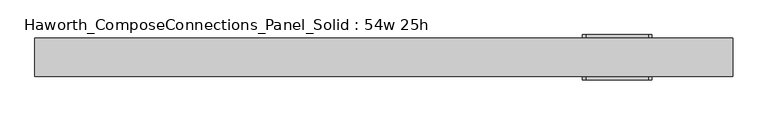
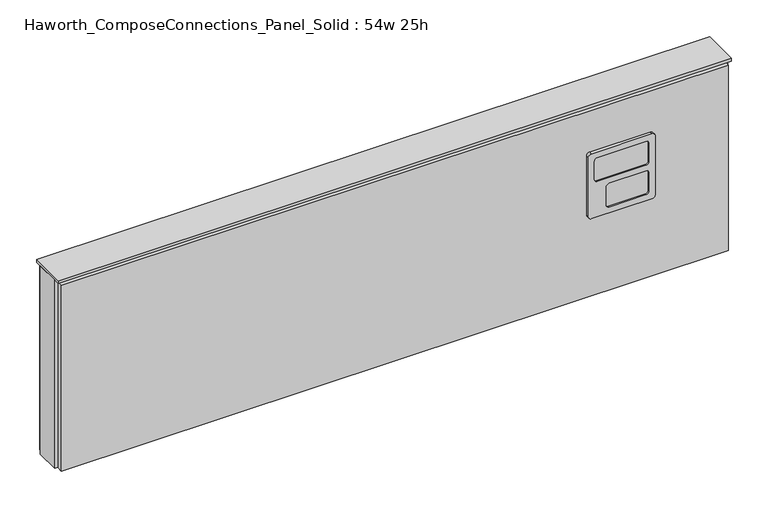
"""IFC4 building model written with IfcOpenShell, lengths in millimetres: furniture geometry, Haworth_ComposeConnections_Panel_Solid : 54w 25h."""

from ifc_helpers import new_model, si_unit, frame, origin, place, context, project, spatial, polyline, circle_curve, outline, extrude, source, transform, mapped, element, save
from ifc_brep_helpers import plane_surface, cylinder_surface, revolved_surface, advanced_brep


def haworth_composeconnections_panel_solid_54w_25h_f8390b98(model_context):
    return source(origin(), model_context, "Body", "SolidModel", [
        advanced_brep(
        [(399.3152902, 38.1, 546.1), (392.9652902, 38.1, 539.75), (392.9652902, 38.1, 412.75), (399.3152902, 38.1, 406.4), (523.1402902, 38.1, 406.4), (529.4902902, 38.1, 412.75), (529.4902902, 38.1, 539.75), (523.1402902, 38.1, 546.1), (399.3152902, 44.45, 546.1), (523.1402902, 44.45, 546.1), (529.4902902, 44.45, 539.75), (529.4902902, 44.45, 412.75), (523.1402902, 44.45, 406.4), (399.3152902, 44.45, 406.4), (392.9652902, 44.45, 412.75), (392.9652902, 44.45, 539.75), (412.0152902, 44.45, 533.4), (405.6652902, 44.45, 527.05), (405.6652902, 44.45, 488.95), (412.0152902, 44.45, 482.6), (510.4402902, 44.45, 482.6), (516.7902902, 44.45, 488.95), (516.7902902, 44.45, 527.05), (510.4402902, 44.45, 533.4), (412.0152902, 44.45, 469.9), (405.6652902, 44.45, 463.55), (405.6652902, 44.45, 425.45), (412.0152902, 44.45, 419.1), (486.6277902, 44.45, 419.1), (492.9777902, 44.45, 425.45), (492.9777902, 44.45, 463.55), (486.6277902, 44.45, 469.9), (412.0152902, 41.275, 533.4), (510.4402902, 41.275, 533.4), (516.7902902, 41.275, 527.05), (516.7902902, 41.275, 488.95), (510.4402902, 41.275, 482.6), (412.0152902, 41.275, 482.6), (405.6652902, 41.275, 488.95), (405.6652902, 41.275, 527.05), (412.0152902, 41.275, 469.9), (486.6277902, 41.275, 469.9), (492.9777902, 41.275, 463.55), (492.9777902, 41.275, 425.45), (486.6277902, 41.275, 419.1), (412.0152902, 41.275, 419.1), (405.6652902, 41.275, 425.45), (405.6652902, 41.275, 463.55)],
        [
            (0, 1, circle_curve(frame((399.3152902, 38.1, 539.75), z_axis=(0.0, -1.0, 0.0), x_axis=(1.0, 0.0, 0.0)), 6.35)),
            (1, 2),
            (2, 3, circle_curve(frame((399.3152902, 38.1, 412.75), z_axis=(0.0, -1.0, 0.0), x_axis=(1.0, 0.0, 0.0)), 6.35)),
            (3, 4),
            (4, 5, circle_curve(frame((523.1402902, 38.1, 412.75), z_axis=(0.0, -1.0, 0.0), x_axis=(1.0, 0.0, 0.0)), 6.35)),
            (5, 6),
            (6, 7, circle_curve(frame((523.1402902, 38.1, 539.75), z_axis=(0.0, -1.0, 0.0), x_axis=(1.0, 0.0, 0.0)), 6.35)),
            (7, 0),
            (8, 9),
            (9, 10, circle_curve(frame((523.1402902, 44.45, 539.75), z_axis=(0.0, 1.0, 0.0), x_axis=(1.0, 0.0, 0.0)), 6.35)),
            (10, 11),
            (11, 12, circle_curve(frame((523.1402902, 44.45, 412.75), z_axis=(0.0, 1.0, 0.0), x_axis=(1.0, 0.0, 0.0)), 6.35)),
            (12, 13),
            (13, 14, circle_curve(frame((399.3152902, 44.45, 412.75), z_axis=(0.0, 1.0, 0.0), x_axis=(1.0, 0.0, 0.0)), 6.35)),
            (14, 15),
            (15, 8, circle_curve(frame((399.3152902, 44.45, 539.75), z_axis=(0.0, 1.0, 0.0), x_axis=(1.0, 0.0, 0.0)), 6.35)),
            (16, 17, circle_curve(frame((412.0152902, 44.45, 527.05), z_axis=(0.0, -1.0, 0.0), x_axis=(1.0, 0.0, 0.0)), 6.35)),
            (17, 18),
            (18, 19, circle_curve(frame((412.0152902, 44.45, 488.95), z_axis=(0.0, -1.0, 0.0), x_axis=(1.0, 0.0, 0.0)), 6.35)),
            (19, 20),
            (20, 21, circle_curve(frame((510.4402902, 44.45, 488.95), z_axis=(0.0, -1.0, 0.0), x_axis=(1.0, 0.0, 0.0)), 6.35)),
            (21, 22),
            (22, 23, circle_curve(frame((510.4402902, 44.45, 527.05), z_axis=(0.0, -1.0, 0.0), x_axis=(1.0, 0.0, 0.0)), 6.35)),
            (23, 16),
            (24, 25, circle_curve(frame((412.0152902, 44.45, 463.55), z_axis=(0.0, -1.0, 0.0), x_axis=(1.0, 0.0, 0.0)), 6.35)),
            (25, 26),
            (26, 27, circle_curve(frame((412.0152902, 44.45, 425.45), z_axis=(0.0, -1.0, 0.0), x_axis=(1.0, 0.0, 0.0)), 6.35)),
            (27, 28),
            (28, 29, circle_curve(frame((486.6277902, 44.45, 425.45), z_axis=(0.0, -1.0, 0.0), x_axis=(1.0, 0.0, 0.0)), 6.35)),
            (29, 30),
            (30, 31, circle_curve(frame((486.6277902, 44.45, 463.55), z_axis=(0.0, -1.0, 0.0), x_axis=(1.0, 0.0, 0.0)), 6.35)),
            (31, 24),
            (0, 8),
            (15, 1),
            (14, 2),
            (13, 3),
            (12, 4),
            (11, 5),
            (10, 6),
            (9, 7),
            (32, 33),
            (33, 34, circle_curve(frame((510.4402902, 41.275, 527.05), z_axis=(0.0, 1.0, 0.0), x_axis=(1.0, 0.0, 0.0)), 6.35)),
            (34, 35),
            (35, 36, circle_curve(frame((510.4402902, 41.275, 488.95), z_axis=(0.0, 1.0, 0.0), x_axis=(1.0, 0.0, 0.0)), 6.35)),
            (36, 37),
            (37, 38, circle_curve(frame((412.0152902, 41.275, 488.95), z_axis=(0.0, 1.0, 0.0), x_axis=(1.0, 0.0, 0.0)), 6.35)),
            (38, 39),
            (39, 32, circle_curve(frame((412.0152902, 41.275, 527.05), z_axis=(0.0, 1.0, 0.0), x_axis=(1.0, 0.0, 0.0)), 6.35)),
            (40, 41),
            (41, 42, circle_curve(frame((486.6277902, 41.275, 463.55), z_axis=(0.0, 1.0, 0.0), x_axis=(1.0, 0.0, 0.0)), 6.35)),
            (42, 43),
            (43, 44, circle_curve(frame((486.6277902, 41.275, 425.45), z_axis=(0.0, 1.0, 0.0), x_axis=(1.0, 0.0, 0.0)), 6.35)),
            (44, 45),
            (45, 46, circle_curve(frame((412.0152902, 41.275, 425.45), z_axis=(0.0, 1.0, 0.0), x_axis=(1.0, 0.0, 0.0)), 6.35)),
            (46, 47),
            (47, 40, circle_curve(frame((412.0152902, 41.275, 463.55), z_axis=(0.0, 1.0, 0.0), x_axis=(1.0, 0.0, 0.0)), 6.35)),
            (39, 17),
            (16, 32),
            (38, 18),
            (37, 19),
            (36, 20),
            (35, 21),
            (34, 22),
            (33, 23),
            (47, 25),
            (24, 40),
            (46, 26),
            (45, 27),
            (44, 28),
            (43, 29),
            (42, 30),
            (41, 31),
        ],
        [
            plane_surface(frame((405.6652902, 38.1, 539.75), z_axis=(0.0, -1.0, 0.0), x_axis=(0.0, 0.0, 1.0))),
            plane_surface(frame((405.6652902, 44.45, 539.75), z_axis=(0.0, 1.0, 0.0), x_axis=(0.0, 0.0, -1.0))),
            cylinder_surface(frame((399.3152902, 44.45, 539.75), z_axis=(0.0, -1.0, 0.0), x_axis=(1.0, 0.0, 0.0)), 6.35),
            plane_surface(frame((392.9652902, 38.1, 539.75), z_axis=(-1.0, 0.0, 0.0), x_axis=(0.0, 1.0, 0.0))),
            cylinder_surface(frame((399.3152902, 44.45, 412.75), z_axis=(0.0, -1.0, 0.0), x_axis=(1.0, 0.0, 0.0)), 6.35),
            plane_surface(frame((399.3152902, 38.1, 406.4), z_axis=(0.0, 0.0, -1.0), x_axis=(0.0, 1.0, 0.0))),
            cylinder_surface(frame((523.1402902, 44.45, 412.75), z_axis=(0.0, -1.0, 0.0), x_axis=(1.0, 0.0, 0.0)), 6.35),
            plane_surface(frame((529.4902902, 38.1, 412.75), z_axis=(1.0, 0.0, 0.0), x_axis=(0.0, 1.0, 0.0))),
            cylinder_surface(frame((523.1402902, 44.45, 539.75), z_axis=(0.0, -1.0, 0.0), x_axis=(1.0, 0.0, 0.0)), 6.35),
            plane_surface(frame((523.1402902, 38.1, 546.1), z_axis=(0.0, 0.0, 1.0), x_axis=(0.0, 1.0, 0.0))),
            plane_surface(frame((418.3652902, 41.275, 527.05), z_axis=(0.0, 1.0, 0.0), x_axis=(0.0, 0.0, 1.0))),
            revolved_surface(polyline([(418.3652902, 41.275, 527.05), (418.3652902, 44.45, 527.05)]), (412.0152902, 44.45, 527.05), (0.0, -1.0, 0.0)),
            plane_surface(frame((405.6652902, 41.275, 527.05), z_axis=(1.0, 0.0, 0.0), x_axis=(0.0, 1.0, 0.0))),
            revolved_surface(polyline([(418.3652902, 41.275, 488.95), (418.3652902, 44.45, 488.95)]), (412.0152902, 44.45, 488.95), (0.0, -1.0, 0.0)),
            plane_surface(frame((412.0152902, 41.275, 482.6), z_axis=(0.0, 0.0, 1.0), x_axis=(0.0, 1.0, 0.0))),
            revolved_surface(polyline([(516.7902902, 41.275, 488.95), (516.7902902, 44.45, 488.95)]), (510.4402902, 44.45, 488.95), (0.0, -1.0, 0.0)),
            plane_surface(frame((516.7902902, 41.275, 488.95), z_axis=(-1.0, 0.0, 0.0), x_axis=(0.0, 1.0, 0.0))),
            revolved_surface(polyline([(516.7902902, 41.275, 527.05), (516.7902902, 44.45, 527.05)]), (510.4402902, 44.45, 527.05), (0.0, -1.0, 0.0)),
            plane_surface(frame((510.4402902, 41.275, 533.4), z_axis=(0.0, 0.0, -1.0), x_axis=(0.0, 1.0, 0.0))),
            revolved_surface(polyline([(418.3652902, 41.275, 463.55), (418.3652902, 44.45, 463.55)]), (412.0152902, 44.45, 463.55), (0.0, -1.0, 0.0)),
            plane_surface(frame((405.6652902, 41.275, 463.55), z_axis=(1.0, 0.0, 0.0), x_axis=(0.0, 1.0, 0.0))),
            revolved_surface(polyline([(418.3652902, 41.275, 425.45), (418.3652902, 44.45, 425.45)]), (412.0152902, 44.45, 425.45), (0.0, -1.0, 0.0)),
            plane_surface(frame((412.0152902, 41.275, 419.1), z_axis=(0.0, 0.0, 1.0), x_axis=(0.0, 1.0, 0.0))),
            revolved_surface(polyline([(492.9777902, 41.275, 425.45), (492.9777902, 44.45, 425.45)]), (486.6277902, 44.45, 425.45), (0.0, -1.0, 0.0)),
            plane_surface(frame((492.9777902, 41.275, 425.45), z_axis=(-1.0, 0.0, 0.0), x_axis=(0.0, 1.0, 0.0))),
            revolved_surface(polyline([(492.9777902, 41.275, 463.55), (492.9777902, 44.45, 463.55)]), (486.6277902, 44.45, 463.55), (0.0, -1.0, 0.0)),
            plane_surface(frame((486.6277902, 41.275, 469.9), z_axis=(0.0, 0.0, -1.0), x_axis=(0.0, 1.0, 0.0))),
        ],
        [
            (0, [[1, 2, 3, 4, 5, 6, 7, 8]]),
            (1, [[9, 10, 11, 12, 13, 14, 15, 16], [17, 18, 19, 20, 21, 22, 23, 24], [25, 26, 27, 28, 29, 30, 31, 32]]),
            (2, [[-1, 33, -16, 34]]),
            (3, [[-2, -34, -15, 35]]),
            (4, [[-3, -35, -14, 36]]),
            (5, [[-4, -36, -13, 37]]),
            (6, [[-5, -37, -12, 38]]),
            (7, [[-6, -38, -11, 39]]),
            (8, [[-7, -39, -10, 40]]),
            (9, [[-8, -40, -9, -33]]),
            (10, [[41, 42, 43, 44, 45, 46, 47, 48]]),
            (10, [[49, 50, 51, 52, 53, 54, 55, 56]]),
            (11, [[-48, 57, -17, 58]]),
            (12, [[-47, 59, -18, -57]]),
            (13, [[-46, 60, -19, -59]]),
            (14, [[-45, 61, -20, -60]]),
            (15, [[-44, 62, -21, -61]]),
            (16, [[-43, 63, -22, -62]]),
            (17, [[-42, 64, -23, -63]]),
            (18, [[-41, -58, -24, -64]]),
            (19, [[-56, 65, -25, 66]]),
            (20, [[-55, 67, -26, -65]]),
            (21, [[-54, 68, -27, -67]]),
            (22, [[-53, 69, -28, -68]]),
            (23, [[-52, 70, -29, -69]]),
            (24, [[-51, 71, -30, -70]]),
            (25, [[-50, 72, -31, -71]]),
            (26, [[-49, -66, -32, -72]]),
        ],
    ),
        advanced_brep(
        [(523.1402902, -38.1, 546.1), (529.4902902, -38.1, 539.75), (529.4902902, -38.1, 412.75), (523.1402902, -38.1, 406.4), (399.3152902, -38.1, 406.4), (392.9652902, -38.1, 412.75), (392.9652902, -38.1, 539.75), (399.3152902, -38.1, 546.1), (523.1402902, -44.45, 546.1), (399.3152902, -44.45, 546.1), (392.9652902, -44.45, 539.75), (392.9652902, -44.45, 412.75), (399.3152902, -44.45, 406.4), (523.1402902, -44.45, 406.4), (529.4902902, -44.45, 412.75), (529.4902902, -44.45, 539.75), (510.4402902, -44.45, 533.4), (516.7902902, -44.45, 527.05), (516.7902902, -44.45, 488.95), (510.4402902, -44.45, 482.6), (412.0152902, -44.45, 482.6), (405.6652902, -44.45, 488.95), (405.6652902, -44.45, 527.05), (412.0152902, -44.45, 533.4), (510.4402902, -44.45, 469.9), (516.7902902, -44.45, 463.55), (516.7902902, -44.45, 425.45), (510.4402902, -44.45, 419.1), (435.8277902, -44.45, 419.1), (429.4777902, -44.45, 425.45), (429.4777902, -44.45, 463.55), (435.8277902, -44.45, 469.9), (510.4402902, -41.275, 533.4), (412.0152902, -41.275, 533.4), (405.6652902, -41.275, 527.05), (405.6652902, -41.275, 488.95), (412.0152902, -41.275, 482.6), (510.4402902, -41.275, 482.6), (516.7902902, -41.275, 488.95), (516.7902902, -41.275, 527.05), (510.4402902, -41.275, 469.9), (435.8277902, -41.275, 469.9), (429.4777902, -41.275, 463.55), (429.4777902, -41.275, 425.45), (435.8277902, -41.275, 419.1), (510.4402902, -41.275, 419.1), (516.7902902, -41.275, 425.45), (516.7902902, -41.275, 463.55)],
        [
            (0, 1, circle_curve(frame((523.1402902, -38.1, 539.75), z_axis=(0.0, 1.0, 0.0), x_axis=(-1.0, 0.0, 0.0)), 6.35)),
            (1, 2),
            (2, 3, circle_curve(frame((523.1402902, -38.1, 412.75), z_axis=(0.0, 1.0, 0.0), x_axis=(-1.0, 0.0, 0.0)), 6.35)),
            (3, 4),
            (4, 5, circle_curve(frame((399.3152902, -38.1, 412.75), z_axis=(0.0, 1.0, 0.0), x_axis=(-1.0, 0.0, 0.0)), 6.35)),
            (5, 6),
            (6, 7, circle_curve(frame((399.3152902, -38.1, 539.75), z_axis=(0.0, 1.0, 0.0), x_axis=(-1.0, 0.0, 0.0)), 6.35)),
            (7, 0),
            (8, 9),
            (9, 10, circle_curve(frame((399.3152902, -44.45, 539.75), z_axis=(0.0, -1.0, 0.0), x_axis=(-1.0, 0.0, 0.0)), 6.35)),
            (10, 11),
            (11, 12, circle_curve(frame((399.3152902, -44.45, 412.75), z_axis=(0.0, -1.0, 0.0), x_axis=(-1.0, 0.0, 0.0)), 6.35)),
            (12, 13),
            (13, 14, circle_curve(frame((523.1402902, -44.45, 412.75), z_axis=(0.0, -1.0, 0.0), x_axis=(-1.0, 0.0, 0.0)), 6.35)),
            (14, 15),
            (15, 8, circle_curve(frame((523.1402902, -44.45, 539.75), z_axis=(0.0, -1.0, 0.0), x_axis=(-1.0, 0.0, 0.0)), 6.35)),
            (16, 17, circle_curve(frame((510.4402902, -44.45, 527.05), z_axis=(0.0, 1.0, 0.0), x_axis=(-1.0, 0.0, 0.0)), 6.35)),
            (17, 18),
            (18, 19, circle_curve(frame((510.4402902, -44.45, 488.95), z_axis=(0.0, 1.0, 0.0), x_axis=(-1.0, 0.0, 0.0)), 6.35)),
            (19, 20),
            (20, 21, circle_curve(frame((412.0152902, -44.45, 488.95), z_axis=(0.0, 1.0, 0.0), x_axis=(-1.0, 0.0, 0.0)), 6.35)),
            (21, 22),
            (22, 23, circle_curve(frame((412.0152902, -44.45, 527.05), z_axis=(0.0, 1.0, 0.0), x_axis=(-1.0, 0.0, 0.0)), 6.35)),
            (23, 16),
            (24, 25, circle_curve(frame((510.4402902, -44.45, 463.55), z_axis=(0.0, 1.0, 0.0), x_axis=(-1.0, 0.0, 0.0)), 6.35)),
            (25, 26),
            (26, 27, circle_curve(frame((510.4402902, -44.45, 425.45), z_axis=(0.0, 1.0, 0.0), x_axis=(-1.0, 0.0, 0.0)), 6.35)),
            (27, 28),
            (28, 29, circle_curve(frame((435.8277902, -44.45, 425.45), z_axis=(0.0, 1.0, 0.0), x_axis=(-1.0, 0.0, 0.0)), 6.35)),
            (29, 30),
            (30, 31, circle_curve(frame((435.8277902, -44.45, 463.55), z_axis=(0.0, 1.0, 0.0), x_axis=(-1.0, 0.0, 0.0)), 6.35)),
            (31, 24),
            (0, 8),
            (15, 1),
            (14, 2),
            (13, 3),
            (12, 4),
            (11, 5),
            (10, 6),
            (9, 7),
            (32, 33),
            (33, 34, circle_curve(frame((412.0152902, -41.275, 527.05), z_axis=(0.0, -1.0, 0.0), x_axis=(-1.0, 0.0, 0.0)), 6.35)),
            (34, 35),
            (35, 36, circle_curve(frame((412.0152902, -41.275, 488.95), z_axis=(0.0, -1.0, 0.0), x_axis=(-1.0, 0.0, 0.0)), 6.35)),
            (36, 37),
            (37, 38, circle_curve(frame((510.4402902, -41.275, 488.95), z_axis=(0.0, -1.0, 0.0), x_axis=(-1.0, 0.0, 0.0)), 6.35)),
            (38, 39),
            (39, 32, circle_curve(frame((510.4402902, -41.275, 527.05), z_axis=(0.0, -1.0, 0.0), x_axis=(-1.0, 0.0, 0.0)), 6.35)),
            (40, 41),
            (41, 42, circle_curve(frame((435.8277902, -41.275, 463.55), z_axis=(0.0, -1.0, 0.0), x_axis=(-1.0, 0.0, 0.0)), 6.35)),
            (42, 43),
            (43, 44, circle_curve(frame((435.8277902, -41.275, 425.45), z_axis=(0.0, -1.0, 0.0), x_axis=(-1.0, 0.0, 0.0)), 6.35)),
            (44, 45),
            (45, 46, circle_curve(frame((510.4402902, -41.275, 425.45), z_axis=(0.0, -1.0, 0.0), x_axis=(-1.0, 0.0, 0.0)), 6.35)),
            (46, 47),
            (47, 40, circle_curve(frame((510.4402902, -41.275, 463.55), z_axis=(0.0, -1.0, 0.0), x_axis=(-1.0, 0.0, 0.0)), 6.35)),
            (39, 17),
            (16, 32),
            (38, 18),
            (37, 19),
            (36, 20),
            (35, 21),
            (34, 22),
            (33, 23),
            (47, 25),
            (24, 40),
            (46, 26),
            (45, 27),
            (44, 28),
            (43, 29),
            (42, 30),
            (41, 31),
        ],
        [
            plane_surface(frame((516.7902902, -38.1, 539.75), z_axis=(0.0, 1.0, 0.0), x_axis=(0.0, 0.0, 1.0))),
            plane_surface(frame((516.7902902, -44.45, 539.75), z_axis=(0.0, -1.0, 0.0), x_axis=(0.0, 0.0, -1.0))),
            cylinder_surface(frame((523.1402902, -44.45, 539.75), z_axis=(0.0, 1.0, 0.0), x_axis=(-1.0, 0.0, 0.0)), 6.35),
            plane_surface(frame((529.4902902, -38.1, 539.75), z_axis=(1.0, 0.0, 0.0), x_axis=(0.0, -1.0, 0.0))),
            cylinder_surface(frame((523.1402902, -44.45, 412.75), z_axis=(0.0, 1.0, 0.0), x_axis=(-1.0, 0.0, 0.0)), 6.35),
            plane_surface(frame((523.1402902, -38.1, 406.4), z_axis=(0.0, 0.0, -1.0), x_axis=(0.0, -1.0, 0.0))),
            cylinder_surface(frame((399.3152902, -44.45, 412.75), z_axis=(0.0, 1.0, 0.0), x_axis=(-1.0, 0.0, 0.0)), 6.35),
            plane_surface(frame((392.9652902, -38.1, 412.75), z_axis=(-1.0, 0.0, 0.0), x_axis=(0.0, -1.0, 0.0))),
            cylinder_surface(frame((399.3152902, -44.45, 539.75), z_axis=(0.0, 1.0, 0.0), x_axis=(-1.0, 0.0, 0.0)), 6.35),
            plane_surface(frame((399.3152902, -38.1, 546.1), z_axis=(0.0, 0.0, 1.0), x_axis=(0.0, -1.0, 0.0))),
            plane_surface(frame((504.0902902, -41.275, 527.05), z_axis=(0.0, -1.0, 0.0), x_axis=(0.0, 0.0, 1.0))),
            revolved_surface(polyline([(504.09029019999997, -41.275, 527.05), (504.09029019999997, -44.45, 527.05)]), (510.4402902, -44.45, 527.05), (0.0, 1.0, 0.0)),
            plane_surface(frame((516.7902902, -41.275, 527.05), z_axis=(-1.0, 0.0, 0.0), x_axis=(0.0, -1.0, 0.0))),
            revolved_surface(polyline([(504.09029019999997, -41.275, 488.95), (504.09029019999997, -44.45, 488.95)]), (510.4402902, -44.45, 488.95), (0.0, 1.0, 0.0)),
            plane_surface(frame((510.4402902, -41.275, 482.6), z_axis=(0.0, 0.0, 1.0), x_axis=(0.0, -1.0, 0.0))),
            revolved_surface(polyline([(405.66529019999996, -41.275, 488.95), (405.66529019999996, -44.45, 488.95)]), (412.0152902, -44.45, 488.95), (0.0, 1.0, 0.0)),
            plane_surface(frame((405.6652902, -41.275, 488.95), z_axis=(1.0, 0.0, 0.0), x_axis=(0.0, -1.0, 0.0))),
            revolved_surface(polyline([(405.66529019999996, -41.275, 527.05), (405.66529019999996, -44.45, 527.05)]), (412.0152902, -44.45, 527.05), (0.0, 1.0, 0.0)),
            plane_surface(frame((412.0152902, -41.275, 533.4), z_axis=(0.0, 0.0, -1.0), x_axis=(0.0, -1.0, 0.0))),
            revolved_surface(polyline([(504.09029019999997, -41.275, 463.55), (504.09029019999997, -44.45, 463.55)]), (510.4402902, -44.45, 463.55), (0.0, 1.0, 0.0)),
            plane_surface(frame((516.7902902, -41.275, 463.55), z_axis=(-1.0, 0.0, 0.0), x_axis=(0.0, -1.0, 0.0))),
            revolved_surface(polyline([(504.09029019999997, -41.275, 425.45), (504.09029019999997, -44.45, 425.45)]), (510.4402902, -44.45, 425.45), (0.0, 1.0, 0.0)),
            plane_surface(frame((510.4402902, -41.275, 419.1), z_axis=(0.0, 0.0, 1.0), x_axis=(0.0, -1.0, 0.0))),
            revolved_surface(polyline([(429.47779019999996, -41.275, 425.45), (429.47779019999996, -44.45, 425.45)]), (435.8277902, -44.45, 425.45), (0.0, 1.0, 0.0)),
            plane_surface(frame((429.4777902, -41.275, 425.45), z_axis=(1.0, 0.0, 0.0), x_axis=(0.0, -1.0, 0.0))),
            revolved_surface(polyline([(429.47779019999996, -41.275, 463.55), (429.47779019999996, -44.45, 463.55)]), (435.8277902, -44.45, 463.55), (0.0, 1.0, 0.0)),
            plane_surface(frame((435.8277902, -41.275, 469.9), z_axis=(0.0, 0.0, -1.0), x_axis=(0.0, -1.0, 0.0))),
        ],
        [
            (0, [[1, 2, 3, 4, 5, 6, 7, 8]]),
            (1, [[9, 10, 11, 12, 13, 14, 15, 16], [17, 18, 19, 20, 21, 22, 23, 24], [25, 26, 27, 28, 29, 30, 31, 32]]),
            (2, [[-1, 33, -16, 34]]),
            (3, [[-2, -34, -15, 35]]),
            (4, [[-3, -35, -14, 36]]),
            (5, [[-4, -36, -13, 37]]),
            (6, [[-5, -37, -12, 38]]),
            (7, [[-6, -38, -11, 39]]),
            (8, [[-7, -39, -10, 40]]),
            (9, [[-8, -40, -9, -33]]),
            (10, [[41, 42, 43, 44, 45, 46, 47, 48]]),
            (10, [[49, 50, 51, 52, 53, 54, 55, 56]]),
            (11, [[-48, 57, -17, 58]]),
            (12, [[-47, 59, -18, -57]]),
            (13, [[-46, 60, -19, -59]]),
            (14, [[-45, 61, -20, -60]]),
            (15, [[-44, 62, -21, -61]]),
            (16, [[-43, 63, -22, -62]]),
            (17, [[-42, 64, -23, -63]]),
            (18, [[-41, -58, -24, -64]]),
            (19, [[-56, 65, -25, 66]]),
            (20, [[-55, 67, -26, -65]]),
            (21, [[-54, 68, -27, -67]]),
            (22, [[-53, 69, -28, -68]]),
            (23, [[-52, 70, -29, -69]]),
            (24, [[-51, 71, -30, -70]]),
            (25, [[-50, 72, -31, -71]]),
            (26, [[-49, -66, -32, -72]]),
        ],
    ),
        extrude(outline(polyline([(688.2402902, -25.4), (-683.3597098, -25.4), (-683.3597098, 25.4), (688.2402902, 25.4), (688.2402902, -25.4)])), frame((0.0, 0.0, 234.95), z_axis=(0.0, 0.0, 1.0), x_axis=(1.0, 0.0, 0.0)), (0.0, 0.0, 1.0), 406.4),
        extrude(outline(polyline([(-677.0097098, -25.4), (681.8902902, -25.4), (681.8902902, -38.1), (-677.0097098, -38.1), (-677.0097098, -25.4)])), frame((0.0, 0.0, 234.95), z_axis=(0.0, 0.0, 1.0), x_axis=(1.0, 0.0, 0.0)), (0.0, 0.0, 1.0), 400.05),
        extrude(outline(polyline([(-677.0097098, 38.1), (681.8902902, 38.1), (681.8902902, 25.4), (-677.0097098, 25.4), (-677.0097098, 38.1)])), frame((0.0, 0.0, 234.95), z_axis=(0.0, 0.0, 1.0), x_axis=(1.0, 0.0, 0.0)), (0.0, 0.0, 1.0), 400.05),
        extrude(outline(polyline([(-683.3597098, -38.1), (-683.3597098, 38.1), (688.2402902, 38.1), (688.2402902, -38.1), (-683.3597098, -38.1)])), frame((0.0, 0.0, 641.35), z_axis=(0.0, 0.0, 1.0), x_axis=(1.0, 0.0, 0.0)), (0.0, 0.0, 1.0), 6.35),
    ])


if __name__ == "__main__":
    model = new_model("IFC4")
    model_context = context("Model", 3, world=origin())
    ifc_project = project(units=[si_unit("LENGTHUNIT", "METRE", prefix="MILLI")], contexts=[model_context])
    site = spatial("IfcSite", under=ifc_project)
    building = spatial("IfcBuilding", under=site)
    placement = place(None, origin())
    haworth_composeconnections_panel_solid_54w_25h_shape = haworth_composeconnections_panel_solid_54w_25h_f8390b98(model_context)
    element("IfcFurniture", 1, ObjectType="Haworth_ComposeConnections_Panel_Solid : 54w 25h", at=placement, inside=building, context=model_context, shape_type="MappedRepresentation", body=[
        mapped(haworth_composeconnections_panel_solid_54w_25h_shape, transform((0.0, 0.0, 0.0), x_axis=(1.0, 0.0, 0.0), y_axis=(0.0, 1.0, 0.0), z_axis=(0.0, 0.0, 1.0))),
    ])
    save(model, "model.ifc")
